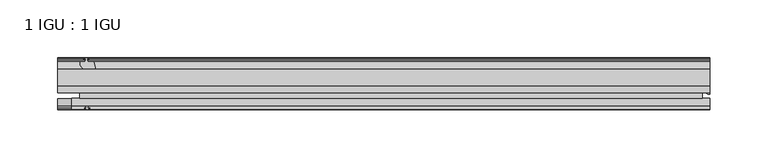
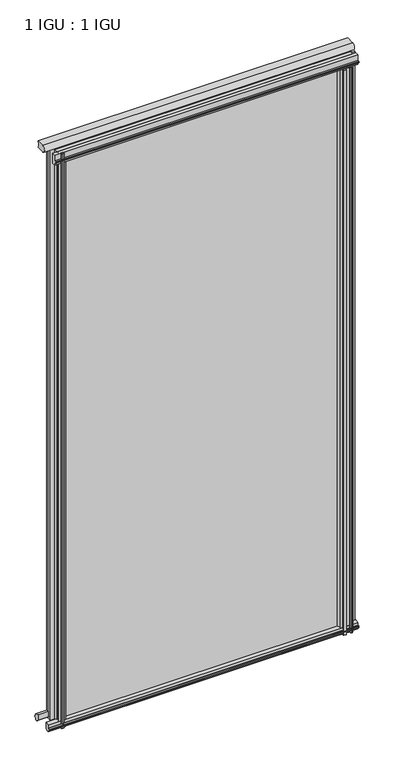
"""IFC4 building model written with IfcOpenShell, lengths in millimetres: plate geometry, 1 IGU : 1 IGU."""

from ifc_helpers import new_model, si_unit, point, frame, frame_2d, origin, place, context, project, spatial, polyline, circle_curve, ellipse_curve, trimmed, segment, composite_curve, outline, extrude, source, transform, mapped, element, save
from ifc_brep_helpers import plane_surface, cylinder_surface, revolved_surface, extruded_surface, advanced_brep


def plate_1_igu_1_igu_6ebd1eaf(model_context):
    return source(origin(), model_context, "Body", "SolidModel", [
        extrude(outline(polyline([(-263.5250001, -38.6468937), (276.2250001, -38.6468937), (276.2250001, -44.9460938), (-263.5250001, -44.9460938), (-263.5250001, -38.6468937)])), frame((0.0, 0.0, -12.7), z_axis=(0.0, 0.0, 1.0), x_axis=(1.0, 0.0, 0.0)), (0.0, 0.0, 1.0), 1106.5637371),
        extrude(outline(polyline([(-263.5250001, -19.5460937), (276.2250001, -19.5460937), (276.2250001, -25.8960938), (-263.5250001, -25.8960938), (-263.5250001, -19.5460937)])), frame((0.0, 0.0, -12.7), z_axis=(0.0, 0.0, 1.0), x_axis=(1.0, 0.0, 0.0)), (0.0, 0.0, 1.0), 1106.5637371),
        extrude(outline(composite_curve([segment(trimmed(circle_curve(frame_2d((-9.2245666, 1100.1773164)), 12.1106873), [point((-19.5460937, 1106.5125215))], [point((-19.5460937, 1093.8421112))], True, "CARTESIAN"), True, "CONTINUOUS"), segment(polyline([(-19.5460937, 1093.8421112), (-33.8757421, 1093.8421112)]), True, "CONTINUOUS"), segment(trimmed(circle_curve(frame_2d((-33.8757421, 1100.1773164)), 6.3352052), [point((-33.8757421, 1093.8421112))], [point((-33.8757421, 1106.5125215))], False, "CARTESIAN"), True, "CONTINUOUS"), segment(polyline([(-33.8757421, 1106.5125215), (-19.5460937, 1106.5125215)]), True, "CONTINUOUS")], self_intersect=False)), frame((-282.5750001, 0.0, 0.0), z_axis=(1.0, 0.0, 0.0), x_axis=(0.0, 1.0, 0.0)), (0.0, 0.0, 1.0), 565.1500002),
        advanced_brep(
        [(282.5750001, -21.1709383, -12.4587), (282.5750001, -41.5384061, -12.4587), (275.0526629, -32.2460938, -12.4587), (276.2250001, -25.8452938, -12.4587), (276.2250001, -19.5460938, -12.4587), (282.5750001, -21.1709383, 1093.8637371), (276.2250001, -19.5460938, 1093.8637371), (276.2250001, -25.8452938, 1093.8637371), (275.0526629, -32.2460938, 1093.8637371), (282.5750001, -41.5384061, 1093.8637371)],
        [
            (0, 1),
            (1, 2, ellipse_curve(frame((282.5750001, -32.2460938, -12.4587), z_axis=(0.0, 0.0, -1.0), x_axis=(0.0, -1.0, 0.0)), 9.2923124, 7.5223371)),
            (2, 3, circle_curve(frame((293.1125764, -32.2460938, -12.4587), z_axis=(0.0, 0.0, -1.0), x_axis=(1.0, 0.0, 0.0)), 18.0599135)),
            (3, 4),
            (4, 0, circle_curve(frame((282.5750001, -7.950406, -12.4587), z_axis=(0.0, 0.0, 1.0), x_axis=(1.0, 0.0, 0.0)), 13.2205323)),
            (5, 6, circle_curve(frame((282.5750001, -7.950406, 1093.8637371), z_axis=(0.0, 0.0, -1.0), x_axis=(1.0, 0.0, 0.0)), 13.2205323)),
            (6, 7),
            (7, 8, circle_curve(frame((293.1125764, -32.2460938, 1093.8637371), z_axis=(0.0, 0.0, 1.0), x_axis=(1.0, 0.0, 0.0)), 18.0599135)),
            (8, 9, ellipse_curve(frame((282.5750001, -32.2460938, 1093.8637371), z_axis=(0.0, 0.0, 1.0), x_axis=(0.0, -1.0, 0.0)), 9.2923124, 7.5223371)),
            (9, 5),
            (1, 9),
            (8, 2),
            (7, 3),
            (6, 4),
            (5, 0),
        ],
        [
            plane_surface(frame((282.5750001, -13.1960938, -12.4587), z_axis=(0.0, 0.0, -1.0), x_axis=(0.0, 1.0, 0.0))),
            plane_surface(frame((282.5750001, -13.1960938, 1093.8637371), z_axis=(0.0, 0.0, 1.0), x_axis=(0.0, 1.0, 0.0))),
            extruded_surface(trimmed(ellipse_curve(frame((282.5750001, -32.2460938, 1093.8637371), z_axis=(0.0, 0.0, -1.0), x_axis=(0.0, -1.0, 0.0)), 9.2923124, 7.5223371), [point((282.5750001, -41.5384061, 1093.8637371))], [point((275.0526629, -32.2460938, 1093.8637371))], True, "CARTESIAN"), (0.0, 0.0, -1106.3224371), 1106.3224371),
            cylinder_surface(frame((293.1125764, -32.2460938, -12.4587), z_axis=(0.0, 0.0, -1.0), x_axis=(1.0, 0.0, 0.0)), 18.0599135),
            plane_surface(frame((276.2250001, -25.8452938, -12.4587), z_axis=(-1.0, 0.0, 0.0), x_axis=(0.0, 0.0, 1.0))),
            revolved_surface(polyline([(295.7955324, -7.950406, 1093.8637371), (295.7955324, -7.950406, -12.4587)]), (282.5750001, -7.950406, -12.4587), (0.0, 0.0, 1.0)),
            plane_surface(frame((282.5750001, -21.1709383, -12.4587), z_axis=(1.0, 0.0, 0.0), x_axis=(0.0, 0.0, 1.0))),
        ],
        [
            (0, [[1, 2, 3, 4, 5]]),
            (1, [[6, 7, 8, 9, 10]]),
            (2, [[-2, 11, -9, 12]]),
            (3, [[-3, -12, -8, 13]]),
            (4, [[-4, -13, -7, 14]]),
            (5, [[-5, -14, -6, 15]]),
            (6, [[-1, -15, -10, -11]]),
        ],
    ),
        extrude(outline(polyline([(-44.9460937, 1.7177181), (-44.9460937, -9.1036578), (-48.3496937, -11.938), (-51.2960937, -11.938), (-51.2960937, -7.493), (-53.6762907, -7.112), (-53.2163575, -8.5275291), (-54.0175717, -8.5275291), (-54.7250937, -6.35), (-54.0175717, -4.1724709), (-53.2163575, -4.1724709), (-53.6762907, -5.588), (-51.2960937, -5.207), (-51.2960937, 0.0), (-44.9460937, 1.7177181)])), frame((-282.5750001, 0.0, 0.0), z_axis=(1.0, 0.0, 0.0), x_axis=(0.0, 1.0, 0.0)), (0.0, 0.0, 1.0), 565.1500002),
        extrude(outline(polyline([(-13.1960937, -12.4587), (-16.1424937, -12.4587), (-19.5460937, -9.6243578), (-19.5460937, 1.1970181), (-13.1960937, -0.5207), (-13.1960937, -5.7277), (-10.8158968, -6.1087), (-11.27583, -4.6931709), (-10.4746158, -4.6931709), (-9.7670937, -6.8707), (-10.4746158, -9.0482291), (-11.27583, -9.0482291), (-10.8158968, -7.6327), (-13.1960937, -8.0137), (-13.1960937, -12.4587)])), frame((-282.5750001, 0.0, 0.0), z_axis=(1.0, 0.0, 0.0), x_axis=(0.0, 1.0, 0.0)), (0.0, 0.0, 1.0), 565.1500002),
        extrude(outline(composite_curve([segment(polyline([(-44.9380025, 1074.7258348), (-51.2960937, 1074.7258348), (-51.2960937, 1079.5518348), (-54.1955564, 1079.5518348), (-54.8194621, 1080.5291272)]), True, "CONTINUOUS"), segment(trimmed(circle_curve(frame_2d((-53.9630937, 1081.0758348)), 1.016), [point((-54.8194621, 1080.5291272))], [point((-54.8194621, 1081.6225424))], False, "CARTESIAN"), True, "CONTINUOUS"), segment(polyline([(-54.8194621, 1081.6225424), (-54.1955564, 1082.5998348), (-51.2878033, 1082.5998348), (-51.2916866, 1093.7645183), (-44.9380025, 1093.7645183), (-44.9380025, 1074.7258348)]), True, "CONTINUOUS")], self_intersect=False)), frame((-270.3172939, 0.0, 0.0), z_axis=(1.0, 0.0, 0.0), x_axis=(0.0, 1.0, 0.0)), (0.0, 0.0, 1.0), 552.892294),
        extrude(outline(composite_curve([segment(polyline([(273.0500002, -44.9460938), (273.0500002, -51.2960938), (271.3990002, -51.2960938), (271.3990002, -52.9470938), (272.476631, -52.9470938)]), True, "CONTINUOUS"), segment(trimmed(circle_curve(frame_2d((271.3990002, -52.9470938)), 1.0776307), [point((272.476631, -52.9470938))], [point((272.1610002, -53.7090938))], False, "CARTESIAN"), True, "CONTINUOUS"), segment(polyline([(272.1610002, -53.7090938), (270.4217078, -54.8194621)]), True, "CONTINUOUS"), segment(trimmed(circle_curve(frame_2d((269.8750002, -53.9630938)), 1.016), [point((270.4217078, -54.8194621))], [point((269.3282926, -54.8194621))], False, "CARTESIAN"), True, "CONTINUOUS"), segment(polyline([(269.3282926, -54.8194621), (267.5890002, -53.7090938)]), True, "CONTINUOUS"), segment(trimmed(circle_curve(frame_2d((268.3510002, -52.9470938)), 1.0776307), [point((267.5890002, -53.7090938))], [point((267.2733695, -52.9470938))], False, "CARTESIAN"), True, "CONTINUOUS"), segment(polyline([(267.2733695, -52.9470938), (268.3510002, -52.9470938), (268.3510002, -51.2960938), (259.2832002, -51.2960938)]), True, "CONTINUOUS"), segment(trimmed(circle_curve(frame_2d((259.2832002, -51.7532938)), 0.4572), [point((259.2832002, -51.2960938))], [point((258.9443824, -52.0602698))], True, "CARTESIAN"), True, "CONTINUOUS"), segment(trimmed(circle_curve(frame_2d((257.1750002, -53.663367)), 2.3876), [point((258.9443824, -52.0602698))], [point((259.2456432, -54.8520938))], False, "CARTESIAN"), True, "CONTINUOUS"), segment(polyline([(259.2456432, -54.8520938), (255.1043572, -54.8520938)]), True, "CONTINUOUS"), segment(trimmed(circle_curve(frame_2d((257.1750002, -53.663367)), 2.3876), [point((255.1043572, -54.8520938))], [point((255.4056181, -52.0602698))], False, "CARTESIAN"), True, "CONTINUOUS"), segment(trimmed(circle_curve(frame_2d((255.0668002, -51.7532938)), 0.4572), [point((255.4056181, -52.0602698))], [point((255.0668002, -51.2960938))], True, "CARTESIAN"), True, "CONTINUOUS"), segment(polyline([(255.0668002, -51.2960938), (250.8250002, -51.2960938)]), True, "CONTINUOUS"), segment(trimmed(circle_curve(frame_2d((241.8090688, -51.9750196)), 9.0414579), [point((250.8250002, -51.2960938))], [point((247.4960857, -44.9460938))], True, "CARTESIAN"), True, "CONTINUOUS"), segment(polyline([(247.4960857, -44.9460938), (273.0500002, -44.9460938)]), True, "CONTINUOUS")], self_intersect=False)), frame((0.0, 0.0, -12.7), z_axis=(0.0, 0.0, 1.0), x_axis=(1.0, 0.0, 0.0)), (0.0, 0.0, 1.0), 1087.5137371),
        extrude(outline(polyline([(-257.6957001, -9.7670937), (-255.518171, -10.4746158), (-255.518171, -11.27583), (-256.9337001, -10.8158968), (-256.5527001, -13.1960937), (-251.3457001, -13.1960937), (-249.627982, -19.5460937), (-260.4493579, -19.5460937), (-263.2837001, -16.1424937), (-263.2837001, -13.1960937), (-258.8387001, -13.1960937), (-258.4577001, -10.8158968), (-259.8732291, -11.27583), (-259.8732291, -10.4746158), (-257.6957001, -9.7670937)])), frame((0.0, 0.0, -12.7), z_axis=(0.0, 0.0, 1.0), x_axis=(1.0, 0.0, 0.0)), (0.0, 0.0, 1.0), 1106.5637373),
        extrude(outline(polyline([(-262.7630001, -48.3496937), (-259.9286579, -44.9460937), (-249.107282, -44.9460937), (-250.8250001, -51.2960937), (-256.0320001, -51.2960937), (-256.4130001, -53.6762907), (-254.997471, -53.2163575), (-254.997471, -54.0175717), (-257.1750001, -54.7250937), (-259.3525291, -54.0175717), (-259.3525291, -53.2163575), (-257.9370001, -53.6762907), (-258.3180001, -51.2960937), (-262.7630001, -51.2960937), (-262.7630001, -48.3496937)])), frame((0.0, 0.0, -12.7), z_axis=(0.0, 0.0, 1.0), x_axis=(1.0, 0.0, 0.0)), (0.0, 0.0, 1.0), 1106.5637373),
    ])


if __name__ == "__main__":
    model = new_model("IFC4")
    model_context = context("Model", 3, world=origin())
    ifc_project = project(units=[si_unit("LENGTHUNIT", "METRE", prefix="MILLI")], contexts=[model_context])
    site = spatial("IfcSite", under=ifc_project)
    building = spatial("IfcBuilding", under=site)
    placement = place(None, origin())
    plate_1_igu_1_igu_shape = plate_1_igu_1_igu_6ebd1eaf(model_context)
    element("IfcPlate", 1, ObjectType="1 IGU : 1 IGU", at=placement, inside=building, context=model_context, shape_type="MappedRepresentation", body=[
        mapped(plate_1_igu_1_igu_shape, transform((0.0, 0.0, 0.0), x_axis=(1.0, 0.0, 0.0), y_axis=(0.0, 1.0, 0.0), z_axis=(0.0, 0.0, 1.0))),
    ])
    save(model, "model.ifc")
